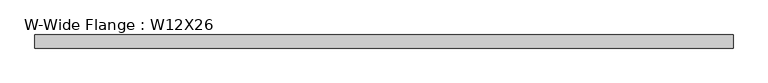
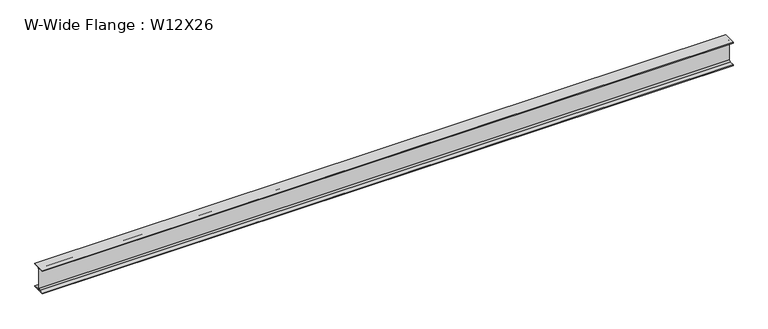
"""IFC4 building model written with IfcOpenShell, lengths in millimetres: beam geometry, W-Wide Flange : W12X26."""

from ifc_helpers import new_model, si_unit, point, frame, frame_2d, origin, place, context, project, spatial, polyline, circle_curve, trimmed, segment, composite_curve, outline, extrude, source, transform, mapped, element, save


def w_wide_flange_w12x26_67784524(model_context):
    return source(origin(), model_context, "Body", "SweptSolid", [
        extrude(outline(composite_curve([segment(polyline([(82.4011719, -145.5539063), (82.4011719, -155.178125), (-82.4011719, -155.178125), (-82.4011719, -145.5539063), (-20.2902344, -145.5539063)]), True, "CONTINUOUS"), segment(trimmed(circle_curve(frame_2d((-20.2902344, -128.190625)), 17.3632812), [point((-20.2902344, -145.5539063))], [point((-2.9269531, -128.190625))], True, "CARTESIAN"), True, "CONTINUOUS"), segment(polyline([(-2.9269531, -128.190625), (-2.9269531, 128.190625)]), True, "CONTINUOUS"), segment(trimmed(circle_curve(frame_2d((-20.2902344, 128.190625)), 17.3632812), [point((-2.9269531, 128.190625))], [point((-20.2902344, 145.5539062))], True, "CARTESIAN"), True, "CONTINUOUS"), segment(polyline([(-20.2902344, 145.5539062), (-82.4011719, 145.5539062), (-82.4011719, 155.178125), (82.4011719, 155.178125), (82.4011719, 145.5539062), (20.2902344, 145.5539062)]), True, "CONTINUOUS"), segment(trimmed(circle_curve(frame_2d((20.2902344, 128.190625)), 17.3632812), [point((20.2902344, 145.5539062))], [point((2.9269531, 128.190625))], True, "CARTESIAN"), True, "CONTINUOUS"), segment(polyline([(2.9269531, 128.190625), (2.9269531, -128.190625)]), True, "CONTINUOUS"), segment(trimmed(circle_curve(frame_2d((20.2902344, -128.190625)), 17.3632812), [point((2.9269531, -128.190625))], [point((20.2902344, -145.5539063))], True, "CARTESIAN"), True, "CONTINUOUS"), segment(polyline([(20.2902344, -145.5539063), (82.4011719, -145.5539063)]), True, "CONTINUOUS")], self_intersect=False)), frame((-4368.8, 0.0, 0.0), z_axis=(1.0, 0.0, 0.0), x_axis=(0.0, 1.0, 0.0)), (0.0, 0.0, 1.0), 8737.6),
    ])


if __name__ == "__main__":
    model = new_model("IFC4")
    model_context = context("Model", 3, world=origin())
    ifc_project = project(units=[si_unit("LENGTHUNIT", "METRE", prefix="MILLI")], contexts=[model_context])
    site = spatial("IfcSite", under=ifc_project)
    building = spatial("IfcBuilding", under=site)
    placement = place(None, origin())
    w_wide_flange_w12x26_shape = w_wide_flange_w12x26_67784524(model_context)
    element("IfcBeam", 1, ObjectType="W-Wide Flange : W12X26", at=placement, inside=building, context=model_context, shape_type="MappedRepresentation", body=[
        mapped(w_wide_flange_w12x26_shape, transform((0.0, 0.0, 0.0), x_axis=(1.0, 0.0, 0.0), y_axis=(0.0, 1.0, 0.0), z_axis=(0.0, 0.0, 1.0))),
    ])
    save(model, "model.ifc")
